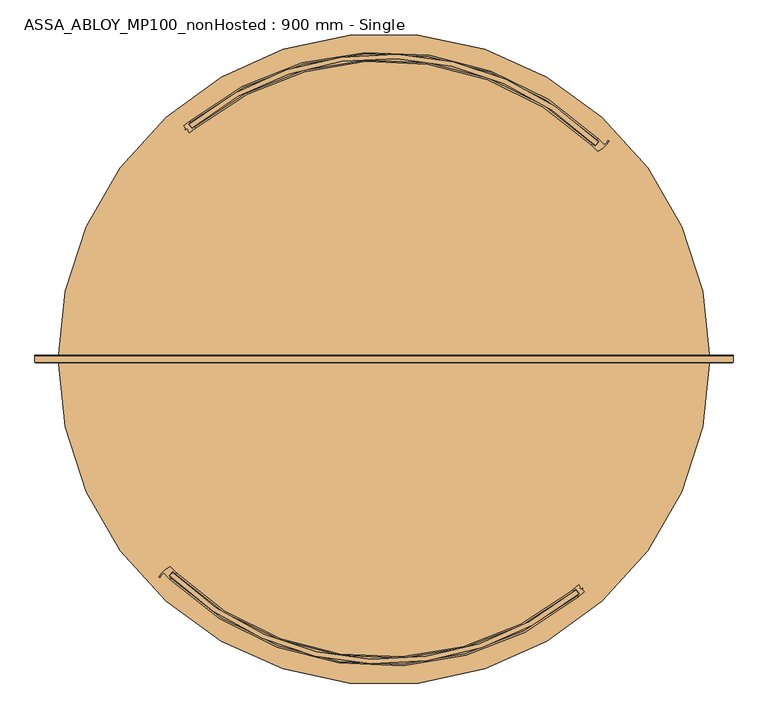
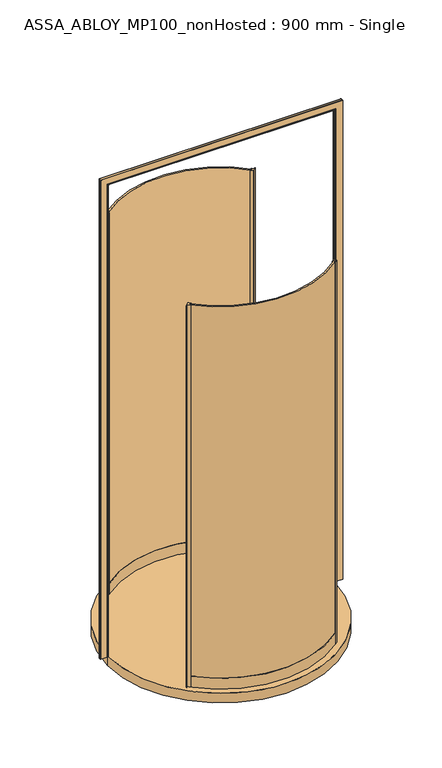
"""IFC4 building model written with IfcOpenShell, lengths in millimetres: door geometry, ASSA_ABLOY_MP100_nonHosted : 900 mm - Single."""

from ifc_helpers import new_model, si_unit, point, frame, origin, origin_with_axes, origin_2d, place, context, project, spatial, polyline, circle_curve, ellipse_curve, trimmed, segment, composite_curve, outline, extrude, source, transform, mapped, element, save
from ifc_brep_helpers import plane_surface, cylinder_surface, revolved_surface, advanced_brep


def assa_abloy_mp100_nonhosted_900_mm_single_23563f2a(model_context):
    return source(origin(), model_context, "Body", "SolidModel", [
        extrude(outline(composite_curve([segment(trimmed(circle_curve(origin_2d(), 671.0), [point((-471.5418534, -477.3775031))], [point((428.3686486, -516.4700387))], True, "CARTESIAN"), True, "CONTINUOUS"), segment(polyline([(428.3686486, -516.4700387), (434.6971588, -524.2131056)]), True, "CONTINUOUS"), segment(trimmed(circle_curve(origin_2d(), 681.0), [point((434.6971588, -524.2131056))], [point((-478.5162849, -484.544286))], False, "CARTESIAN"), True, "CONTINUOUS"), segment(polyline([(-478.5162849, -484.544286), (-471.5418534, -477.3775031)]), True, "CONTINUOUS")], self_intersect=False)), origin_with_axes(), (0.0, 0.0, 1.0), 2600.0),
        extrude(outline(composite_curve([segment(polyline([(434.4935229, -504.7488272), (438.8082177, -510.0279483), (436.8725006, -511.6100353), (439.0874224, -514.3200393), (443.5990465, -512.2867933), (444.3004039, -513.1449189), (442.9171599, -515.0553265), (447.1542237, -520.2394643)]), True, "CONTINUOUS"), segment(trimmed(circle_curve(origin_2d(), 686.0), [point((447.1542237, -520.2394643))], [point((434.124669, -531.1607777))], False, "CARTESIAN"), True, "CONTINUOUS"), segment(polyline([(434.124669, -531.1607777), (432.2261646, -528.8379172)]), True, "CONTINUOUS"), segment(trimmed(circle_curve(origin_2d(), 683.0), [point((432.2261646, -528.8379172))], [point((437.6234714, -524.3802983))], True, "CARTESIAN"), True, "CONTINUOUS"), segment(polyline([(437.6234714, -524.3802983), (428.7633092, -513.5397012)]), True, "CONTINUOUS"), segment(trimmed(circle_curve(origin_2d(), 669.0), [point((428.7633092, -513.5397012))], [point((423.2578051, -518.0867016))], False, "CARTESIAN"), True, "CONTINUOUS"), segment(polyline([(423.2578051, -518.0867016), (421.4679731, -515.6750408)]), True, "CONTINUOUS"), segment(trimmed(circle_curve(origin_2d(), 666.0), [point((421.4679731, -515.6750408))], [point((434.4935229, -504.7488272))], True, "CARTESIAN"), True, "CONTINUOUS")], self_intersect=False)), origin_with_axes(), (0.0, 0.0, 1.0), 2600.0),
        advanced_brep(
        [(-471.5530855, -474.5488522, 0.0), (-481.2544185, -484.6448252, 0.0), (-476.2430103, -489.5324103, 0.0), (-478.3216313, -491.6955874, 0.0), (-492.1678743, -477.8294246, 0.0), (-499.3328125, -486.5213725, 0.0), (-501.9043625, -485.2054148, 0.0), (-480.0372297, -464.9193186, 0.0), (-476.3552254, -465.4179454, 0.0), (-464.4641583, -477.274407, 0.0), (-466.5427792, -479.4375841, 0.0), (-471.5530855, -474.5488522, 2600.0), (-466.5427792, -479.4375841, 2600.0), (-464.4641583, -477.274407, 2600.0), (-476.3552254, -465.4179454, 2600.0), (-480.0372297, -464.9193186, 2600.0), (-501.9043625, -485.2054148, 2600.0), (-499.3466185, -486.5141589, 2600.0), (-492.1678743, -477.8294246, 2600.0), (-478.3216313, -491.6955874, 2600.0), (-476.2430103, -489.5324103, 2600.0), (-481.2544185, -484.6448252, 2600.0)],
        [
            (0, 1),
            (1, 2, circle_curve(frame((-149.5530842, -149.5530842, 0.0), z_axis=(0.0, 0.0, 1.0), x_axis=(-0.707106781186553, 0.7071067811865419, 0.0)), 471.5)),
            (2, 3),
            (3, 4, circle_curve(frame((-149.5530842, -149.5530842, 0.0), z_axis=(0.0, 0.0, -1.0), x_axis=(-0.707106781186553, 0.7071067811865419, 0.0)), 474.5)),
            (4, 5, circle_curve(frame((-475.1496567, -499.1569371, 0.0), z_axis=(0.0, 0.0, 1.0), x_axis=(-0.707106781186553, 0.7071067811865419, 0.0)), 27.285207)),
            (5, 6, circle_curve(frame((-500.6199062, -485.8488732, 0.0), z_axis=(0.0, 0.0, -1.0), x_axis=(-0.707106781186553, 0.7071067811865419, 0.0)), 1.4366164)),
            (6, 7, circle_curve(frame((-444.4563576, -525.2019988, 0.0), z_axis=(0.0, 0.0, -1.0), x_axis=(-0.707106781186553, 0.7071067811865419, 0.0)), 70.0)),
            (7, 8, circle_curve(frame((-478.5123352, -467.502862, 0.0), z_axis=(0.0, 0.0, -1.0), x_axis=(-0.707106781186553, 0.7071067811865419, 0.0)), 3.0)),
            (8, 9, circle_curve(frame((-149.5530842, -149.5530842, 0.0), z_axis=(0.0, 0.0, 1.0), x_axis=(-0.707106781186553, 0.7071067811865419, 0.0)), 454.5)),
            (9, 10),
            (10, 0, circle_curve(frame((-149.5530842, -149.5530842, 0.0), z_axis=(0.0, 0.0, -1.0), x_axis=(-0.707106781186553, 0.7071067811865419, 0.0)), 457.5)),
            (11, 12, circle_curve(frame((-149.5530842, -149.5530842, 2600.0), z_axis=(0.0, 0.0, 1.0), x_axis=(-0.707106781186553, 0.7071067811865419, 0.0)), 457.5)),
            (12, 13),
            (13, 14, circle_curve(frame((-149.5530842, -149.5530842, 2600.0), z_axis=(0.0, 0.0, -1.0), x_axis=(-0.707106781186553, 0.7071067811865419, 0.0)), 454.5)),
            (14, 15, circle_curve(frame((-478.5123352, -467.502862, 2600.0), z_axis=(0.0, 0.0, 1.0), x_axis=(-0.707106781186553, 0.7071067811865419, 0.0)), 3.0)),
            (15, 16, circle_curve(frame((-444.4563576, -525.2019988, 2600.0), z_axis=(0.0, 0.0, 1.0), x_axis=(-0.707106781186553, 0.7071067811865419, 0.0)), 70.0)),
            (16, 17, circle_curve(frame((-500.6199062, -485.8488732, 2600.0), z_axis=(0.0, 0.0, 1.0), x_axis=(-0.707106781186553, 0.7071067811865419, 0.0)), 1.4366164)),
            (17, 18, circle_curve(frame((-475.1496567, -499.1569371, 2600.0), z_axis=(0.0, 0.0, -1.0), x_axis=(-0.707106781186553, 0.7071067811865419, 0.0)), 27.285207)),
            (18, 19, circle_curve(frame((-149.5530842, -149.5530842, 2600.0), z_axis=(0.0, 0.0, 1.0), x_axis=(-0.707106781186553, 0.7071067811865419, 0.0)), 474.5)),
            (19, 20),
            (20, 21, circle_curve(frame((-149.5530842, -149.5530842, 2600.0), z_axis=(0.0, 0.0, -1.0), x_axis=(-0.707106781186553, 0.7071067811865419, 0.0)), 471.5)),
            (21, 11),
            (0, 11),
            (21, 1),
            (20, 2),
            (19, 3),
            (18, 4),
            (8, 14),
            (13, 9),
            (12, 10),
            (17, 5),
            (16, 6),
            (15, 7),
        ],
        [
            plane_surface(frame((-470.9331163, -470.9331163, 0.0), z_axis=(0.0, 0.0, -1.0), x_axis=(-0.707106781186542, -0.7071067811865531, 0.0))),
            plane_surface(frame((-470.9331163, -470.9331163, 2600.0), z_axis=(0.0, 0.0, 1.0), x_axis=(-0.707106781186542, -0.7071067811865531, 0.0))),
            plane_surface(frame((-471.5530855, -474.5488522, 0.0), z_axis=(0.7210590160944298, -0.6928736503208451, 0.0), x_axis=(0.0, 0.0, 1.0))),
            revolved_surface(polyline([(-482.95393152945974, 183.8477631294545, 2600.0), (-482.95393152945974, 183.8477631294545, 0.0)]), (-149.5530842, -149.5530842, 0.0), (0.0, 0.0, 1.0)),
            plane_surface(frame((-476.2430103, -489.5324103, 0.0), z_axis=(0.7210590160945622, -0.6928736503207074, 0.0), x_axis=(0.0, 0.0, 1.0))),
            cylinder_surface(frame((-149.5530842, -149.5530842, 0.0), z_axis=(0.0, 0.0, -1.0), x_axis=(-0.707106781186553, 0.7071067811865419, 0.0)), 474.5),
            revolved_surface(polyline([(-470.93311624928833, 171.82694784928327, 2600.0), (-470.93311624928833, 171.82694784928327, 0.0)]), (-149.5530842, -149.5530842, 0.0), (0.0, 0.0, 1.0)),
            plane_surface(frame((-464.4641583, -477.274407, 0.0), z_axis=(0.721059016094641, -0.6928736503206255, 0.0), x_axis=(0.0, 0.0, 1.0))),
            cylinder_surface(frame((-149.5530842, -149.5530842, 0.0), z_axis=(0.0, 0.0, -1.0), x_axis=(-0.707106781186553, 0.7071067811865419, 0.0)), 457.5),
            revolved_surface(polyline([(-494.4432115957788, -479.86338220422147, 2600.0), (-494.4432115957788, -479.86338220422147, 0.0)]), (-475.1496567, -499.1569371, 0.0), (0.0, 0.0, 1.0)),
            cylinder_surface(frame((-500.6199062, -485.8488732, 0.0), z_axis=(0.0, 0.0, -1.0), x_axis=(-0.707106781186553, 0.7071067811865419, 0.0)), 1.4366164),
            cylinder_surface(frame((-444.4563576, -525.2019988, 0.0), z_axis=(0.0, 0.0, -1.0), x_axis=(-0.707106781186553, 0.7071067811865419, 0.0)), 70.0),
            cylinder_surface(frame((-478.5123352, -467.502862, 0.0), z_axis=(0.0, 0.0, -1.0), x_axis=(-0.707106781186553, 0.7071067811865419, 0.0)), 3.0),
        ],
        [
            (0, [[1, 2, 3, 4, 5, 6, 7, 8, 9, 10, 11]]),
            (1, [[12, 13, 14, 15, 16, 17, 18, 19, 20, 21, 22]]),
            (2, [[-1, 23, -22, 24]]),
            (3, [[-2, -24, -21, 25]]),
            (4, [[-3, -25, -20, 26]]),
            (5, [[-4, -26, -19, 27]]),
            (6, [[-9, 28, -14, 29]]),
            (7, [[-10, -29, -13, 30]]),
            (8, [[-11, -30, -12, -23]]),
            (9, [[-5, -27, -18, 31]]),
            (10, [[-6, -31, -17, 32]]),
            (11, [[-7, -32, -16, 33]]),
            (12, [[-8, -33, -15, -28]]),
        ],
    ),
        advanced_brep(
        [(-464.4844321, -477.2946808, 73.0), (-464.4844321, -477.2946808, 0.0), (-466.5767043, -479.4446569, 0.0), (-466.5767043, -479.4446569, 24.0), (-476.3406413, -489.4778784, 24.0), (-476.3406413, -489.4778784, 0.0), (-478.4329135, -491.6278544, 0.0), (-478.4329135, -491.6278544, 73.0), (-476.3406413, -489.4778784, 73.0), (-476.3406413, -489.4778784, 39.0), (-466.5767043, -479.4446569, 39.0), (-466.5767043, -479.4446569, 73.0), (421.4679731, -515.6750408, 73.0), (423.3664774, -517.9979013, 73.0), (423.3664774, -517.9979013, 39.0), (432.2261646, -528.8379172, 39.0), (432.2261646, -528.8379172, 73.0), (434.124669, -531.1607777, 73.0), (434.124669, -531.1607777, 0.0), (432.2261646, -528.8379172, 0.0), (432.2261646, -528.8379172, 24.0), (423.3664774, -517.9979013, 24.0), (423.3664774, -517.9979013, 0.0), (421.4679731, -515.6750408, 0.0)],
        [
            (0, 1),
            (1, 2),
            (2, 3),
            (3, 4),
            (4, 5),
            (5, 6),
            (6, 7),
            (7, 8),
            (8, 9),
            (9, 10),
            (10, 11),
            (11, 0),
            (12, 13),
            (13, 14),
            (14, 15),
            (15, 16),
            (16, 17),
            (17, 18),
            (18, 19),
            (19, 20),
            (20, 21),
            (21, 22),
            (22, 23),
            (23, 12),
            (23, 1, circle_curve(frame((0.0, 0.0, 0.0), z_axis=(0.0, 0.0, -1.0), x_axis=(-0.6974240722019794, -0.7166586799259522, 0.0)), 666.0)),
            (0, 12, circle_curve(frame((0.0, 0.0, 73.0), z_axis=(0.0, 0.0, 1.0), x_axis=(-0.6974240722019794, -0.7166586799259522, 0.0)), 666.0)),
            (22, 2, circle_curve(frame((0.0, 0.0, 0.0), z_axis=(0.0, 0.0, -1.0), x_axis=(-0.6974240722019794, -0.7166586799259522, 0.0)), 669.0)),
            (21, 3, circle_curve(frame((0.0, 0.0, 24.0), z_axis=(0.0, 0.0, -1.0), x_axis=(-0.6974240722019794, -0.7166586799259522, 0.0)), 669.0)),
            (20, 4, circle_curve(frame((0.0, 0.0, 24.0), z_axis=(0.0, 0.0, -1.0), x_axis=(-0.6974240722019794, -0.7166586799259522, 0.0)), 683.0)),
            (19, 5, circle_curve(frame((0.0, 0.0, 0.0), z_axis=(0.0, 0.0, -1.0), x_axis=(-0.6974240722019794, -0.7166586799259522, 0.0)), 683.0)),
            (18, 6, circle_curve(frame((0.0, 0.0, 0.0), z_axis=(0.0, 0.0, -1.0), x_axis=(-0.6974240722019794, -0.7166586799259522, 0.0)), 686.0)),
            (17, 7, circle_curve(frame((0.0, 0.0, 73.0), z_axis=(0.0, 0.0, -1.0), x_axis=(-0.6974240722019794, -0.7166586799259522, 0.0)), 686.0)),
            (16, 8, circle_curve(frame((0.0, 0.0, 73.0), z_axis=(0.0, 0.0, -1.0), x_axis=(-0.6974240722019794, -0.7166586799259522, 0.0)), 683.0)),
            (15, 9, circle_curve(frame((0.0, 0.0, 39.0), z_axis=(0.0, 0.0, -1.0), x_axis=(-0.6974240722019794, -0.7166586799259522, 0.0)), 683.0)),
            (14, 10, circle_curve(frame((0.0, 0.0, 39.0), z_axis=(0.0, 0.0, -1.0), x_axis=(-0.6974240722019794, -0.7166586799259522, 0.0)), 669.0)),
            (13, 11, circle_curve(frame((0.0, 0.0, 73.0), z_axis=(0.0, 0.0, -1.0), x_axis=(-0.6974240722019794, -0.7166586799259522, 0.0)), 669.0)),
        ],
        [
            plane_surface(frame((-464.4844321, -477.2946808, 0.0), z_axis=(-0.7166586799259521, 0.6974240722019794, 0.0), x_axis=(0.0, 0.0, 1.0))),
            plane_surface(frame((421.4679731, -515.6750408, 0.0), z_axis=(0.7742868480153811, 0.6328347943898205, 0.0), x_axis=(0.0, 0.0, 1.0))),
            revolved_surface(polyline([(-464.4844320865183, -477.2946808306842, 73.00000000000003), (-464.4844320865183, -477.2946808306842, 0.0)]), (0.0, 0.0, 0.0), (0.0, 0.0, 1.0000000000000002)),
            plane_surface(frame((0.0, 0.0, 0.0), z_axis=(0.0, 0.0, -1.0000000000000002), x_axis=(-0.6974240722019794, -0.7166586799259522, 0.0))),
            cylinder_surface(frame((0.0, 0.0, 0.0), z_axis=(0.0, 0.0, 1.0000000000000002), x_axis=(-0.6974240722019794, -0.7166586799259522, 0.0)), 669.0),
            plane_surface(frame((0.0, 0.0, 24.0), z_axis=(0.0, 0.0, -1.0000000000000002), x_axis=(-0.6974240722019794, -0.7166586799259522, 0.0))),
            revolved_surface(polyline([(-476.34064131395195, -489.47787838942537, 24.000000000000014), (-476.34064131395195, -489.47787838942537, 0.0)]), (0.0, 0.0, 0.0), (0.0, 0.0, 1.0000000000000002)),
            cylinder_surface(frame((0.0, 0.0, 0.0), z_axis=(0.0, 0.0, 1.0000000000000002), x_axis=(-0.6974240722019794, -0.7166586799259522, 0.0)), 686.0),
            plane_surface(frame((0.0, 0.0, 73.0), z_axis=(0.0, 0.0, 1.0000000000000002), x_axis=(-0.6974240722019794, -0.7166586799259522, 0.0))),
            revolved_surface(polyline([(-476.34064131395195, -489.47787838942537, 73.00000000000003), (-476.34064131395195, -489.47787838942537, 39.000000000000014)]), (0.0, 0.0, 0.0), (0.0, 0.0, 1.0000000000000002)),
            plane_surface(frame((0.0, 0.0, 39.0), z_axis=(0.0, 0.0, 1.0000000000000002), x_axis=(-0.6974240722019794, -0.7166586799259522, 0.0))),
        ],
        [
            (0, [[1, 2, 3, 4, 5, 6, 7, 8, 9, 10, 11, 12]]),
            (1, [[13, 14, 15, 16, 17, 18, 19, 20, 21, 22, 23, 24]]),
            (2, [[25, -1, 26, -24]]),
            (3, [[27, -2, -25, -23]]),
            (4, [[28, -3, -27, -22]]),
            (5, [[29, -4, -28, -21]]),
            (6, [[30, -5, -29, -20]]),
            (3, [[31, -6, -30, -19]]),
            (7, [[32, -7, -31, -18]]),
            (8, [[33, -8, -32, -17]]),
            (9, [[34, -9, -33, -16]]),
            (10, [[35, -10, -34, -15]]),
            (4, [[36, -11, -35, -14]]),
            (8, [[-26, -12, -36, -13]]),
        ],
    ),
        extrude(outline(composite_curve([segment(trimmed(circle_curve(origin_2d(), 671.0), [point((471.5418534, 477.3775031))], [point((-428.3686486, 516.4700387))], True, "CARTESIAN"), True, "CONTINUOUS"), segment(polyline([(-428.3686486, 516.4700387), (-434.6971588, 524.2131056)]), True, "CONTINUOUS"), segment(trimmed(circle_curve(origin_2d(), 681.0), [point((-434.6971588, 524.2131056))], [point((478.5162849, 484.544286))], False, "CARTESIAN"), True, "CONTINUOUS"), segment(polyline([(478.5162849, 484.544286), (471.5418534, 477.3775031)]), True, "CONTINUOUS")], self_intersect=False)), origin_with_axes(), (0.0, 0.0, 1.0), 2600.0),
        extrude(outline(composite_curve([segment(polyline([(-434.4935229, 504.7488272), (-438.8082177, 510.0279483), (-436.8725006, 511.6100353), (-439.0874224, 514.3200393), (-443.5990465, 512.2867933), (-444.3004039, 513.1449189), (-442.9171599, 515.0553265), (-447.1542237, 520.2394643)]), True, "CONTINUOUS"), segment(trimmed(circle_curve(origin_2d(), 686.0), [point((-447.1542237, 520.2394643))], [point((-434.124669, 531.1607777))], False, "CARTESIAN"), True, "CONTINUOUS"), segment(polyline([(-434.124669, 531.1607777), (-432.2261646, 528.8379172)]), True, "CONTINUOUS"), segment(trimmed(circle_curve(origin_2d(), 683.0), [point((-432.2261646, 528.8379172))], [point((-437.6234714, 524.3802983))], True, "CARTESIAN"), True, "CONTINUOUS"), segment(polyline([(-437.6234714, 524.3802983), (-428.7633092, 513.5397012)]), True, "CONTINUOUS"), segment(trimmed(circle_curve(origin_2d(), 669.0), [point((-428.7633092, 513.5397012))], [point((-423.2578051, 518.0867016))], False, "CARTESIAN"), True, "CONTINUOUS"), segment(polyline([(-423.2578051, 518.0867016), (-421.4679731, 515.6750408)]), True, "CONTINUOUS"), segment(trimmed(circle_curve(origin_2d(), 666.0), [point((-421.4679731, 515.6750408))], [point((-434.4935229, 504.7488272))], True, "CARTESIAN"), True, "CONTINUOUS")], self_intersect=False)), origin_with_axes(), (0.0, 0.0, 1.0), 2600.0),
        advanced_brep(
        [(471.5530855, 474.5488522, 0.0), (481.2544185, 484.6448252, 0.0), (476.2430103, 489.5324103, 0.0), (478.3216313, 491.6955874, 0.0), (492.1678743, 477.8294246, 0.0), (499.3328125, 486.5213725, 0.0), (501.9043625, 485.2054148, 0.0), (480.0372297, 464.9193186, 0.0), (476.3552254, 465.4179454, 0.0), (464.4641583, 477.274407, 0.0), (466.5427792, 479.4375841, 0.0), (471.5530855, 474.5488522, 2600.0), (466.5427792, 479.4375841, 2600.0), (464.4641583, 477.274407, 2600.0), (476.3552254, 465.4179454, 2600.0), (480.0372297, 464.9193186, 2600.0), (501.9043625, 485.2054148, 2600.0), (499.3466185, 486.5141589, 2600.0), (492.1678743, 477.8294246, 2600.0), (478.3216313, 491.6955874, 2600.0), (476.2430103, 489.5324103, 2600.0), (481.2544185, 484.6448252, 2600.0)],
        [
            (0, 1),
            (1, 2, circle_curve(frame((149.5530842, 149.5530842, 0.0), z_axis=(0.0, 0.0, 1.0), x_axis=(0.7071067811865529, -0.7071067811865411, 0.0)), 471.5)),
            (2, 3),
            (3, 4, circle_curve(frame((149.5530842, 149.5530842, 0.0), z_axis=(0.0, 0.0, -1.0), x_axis=(0.7071067811865529, -0.7071067811865411, 0.0)), 474.5)),
            (4, 5, circle_curve(frame((475.1496567, 499.1569371, 0.0), z_axis=(0.0, 0.0, 1.0), x_axis=(0.7071067811865529, -0.7071067811865411, 0.0)), 27.285207)),
            (5, 6, circle_curve(frame((500.6199062, 485.8488732, 0.0), z_axis=(0.0, 0.0, -1.0), x_axis=(0.7071067811865529, -0.7071067811865411, 0.0)), 1.4366164)),
            (6, 7, circle_curve(frame((444.4563576, 525.2019988, 0.0), z_axis=(0.0, 0.0, -1.0), x_axis=(0.7071067811865529, -0.7071067811865411, 0.0)), 70.0)),
            (7, 8, circle_curve(frame((478.5123352, 467.502862, 0.0), z_axis=(0.0, 0.0, -1.0), x_axis=(0.7071067811865529, -0.7071067811865411, 0.0)), 3.0)),
            (8, 9, circle_curve(frame((149.5530842, 149.5530842, 0.0), z_axis=(0.0, 0.0, 1.0), x_axis=(0.7071067811865529, -0.7071067811865411, 0.0)), 454.5)),
            (9, 10),
            (10, 0, circle_curve(frame((149.5530842, 149.5530842, 0.0), z_axis=(0.0, 0.0, -1.0), x_axis=(0.7071067811865529, -0.7071067811865411, 0.0)), 457.5)),
            (11, 12, circle_curve(frame((149.5530842, 149.5530842, 2600.0), z_axis=(0.0, 0.0, 1.0), x_axis=(0.7071067811865529, -0.7071067811865411, 0.0)), 457.5)),
            (12, 13),
            (13, 14, circle_curve(frame((149.5530842, 149.5530842, 2600.0), z_axis=(0.0, 0.0, -1.0), x_axis=(0.7071067811865529, -0.7071067811865411, 0.0)), 454.5)),
            (14, 15, circle_curve(frame((478.5123352, 467.502862, 2600.0), z_axis=(0.0, 0.0, 1.0), x_axis=(0.7071067811865529, -0.7071067811865411, 0.0)), 3.0)),
            (15, 16, circle_curve(frame((444.4563576, 525.2019988, 2600.0), z_axis=(0.0, 0.0, 1.0), x_axis=(0.7071067811865529, -0.7071067811865411, 0.0)), 70.0)),
            (16, 17, circle_curve(frame((500.6199062, 485.8488732, 2600.0), z_axis=(0.0, 0.0, 1.0), x_axis=(0.7071067811865529, -0.7071067811865411, 0.0)), 1.4366164)),
            (17, 18, circle_curve(frame((475.1496567, 499.1569371, 2600.0), z_axis=(0.0, 0.0, -1.0), x_axis=(0.7071067811865529, -0.7071067811865411, 0.0)), 27.285207)),
            (18, 19, circle_curve(frame((149.5530842, 149.5530842, 2600.0), z_axis=(0.0, 0.0, 1.0), x_axis=(0.7071067811865529, -0.7071067811865411, 0.0)), 474.5)),
            (19, 20),
            (20, 21, circle_curve(frame((149.5530842, 149.5530842, 2600.0), z_axis=(0.0, 0.0, -1.0), x_axis=(0.7071067811865529, -0.7071067811865411, 0.0)), 471.5)),
            (21, 11),
            (0, 11),
            (21, 1),
            (20, 2),
            (19, 3),
            (18, 4),
            (8, 14),
            (13, 9),
            (12, 10),
            (17, 5),
            (16, 6),
            (15, 7),
        ],
        [
            plane_surface(frame((470.9331163, 470.9331163, 0.0), z_axis=(0.0, 0.0, -1.0000000000000002), x_axis=(0.7071067811865417, 0.7071067811865535, 0.0))),
            plane_surface(frame((470.9331163, 470.9331163, 2600.0), z_axis=(0.0, 0.0, 1.0000000000000002), x_axis=(0.7071067811865417, 0.7071067811865535, 0.0))),
            plane_surface(frame((471.5530855, 474.5488522, 0.0), z_axis=(-0.7210590160944301, 0.6928736503208448, 0.0), x_axis=(0.0, 0.0, 1.0))),
            revolved_surface(polyline([(482.9539315294597, -183.84776312945417, 2600.0), (482.9539315294597, -183.84776312945417, 0.0)]), (149.5530842, 149.5530842, 0.0), (0.0, 0.0, 1.0)),
            plane_surface(frame((476.2430103, 489.5324103, 0.0), z_axis=(-0.7210590160945626, 0.692873650320707, 0.0), x_axis=(0.0, 0.0, 1.0))),
            cylinder_surface(frame((149.5530842, 149.5530842, 0.0), z_axis=(0.0, 0.0, -1.0), x_axis=(0.7071067811865529, -0.7071067811865411, 0.0)), 474.5),
            revolved_surface(polyline([(470.9331162492883, -171.82694784928293, 2600.0), (470.9331162492883, -171.82694784928293, 0.0)]), (149.5530842, 149.5530842, 0.0), (0.0, 0.0, 1.0)),
            plane_surface(frame((464.4641583, 477.274407, 0.0), z_axis=(-0.7210590160946412, 0.6928736503206251, 0.0), x_axis=(0.0, 0.0, 1.0))),
            cylinder_surface(frame((149.5530842, 149.5530842, 0.0), z_axis=(0.0, 0.0, -1.0), x_axis=(0.7071067811865529, -0.7071067811865411, 0.0)), 457.5),
            revolved_surface(polyline([(494.4432115957788, 479.8633822042215, 2600.0), (494.4432115957788, 479.8633822042215, 0.0)]), (475.1496567, 499.1569371, 0.0), (0.0, 0.0, 1.0)),
            cylinder_surface(frame((500.6199062, 485.8488732, 0.0), z_axis=(0.0, 0.0, -1.0), x_axis=(0.7071067811865529, -0.7071067811865411, 0.0)), 1.4366164),
            cylinder_surface(frame((444.4563576, 525.2019988, 0.0), z_axis=(0.0, 0.0, -1.0), x_axis=(0.7071067811865529, -0.7071067811865411, 0.0)), 70.0),
            cylinder_surface(frame((478.5123352, 467.502862, 0.0), z_axis=(0.0, 0.0, -1.0), x_axis=(0.7071067811865529, -0.7071067811865411, 0.0)), 3.0),
        ],
        [
            (0, [[1, 2, 3, 4, 5, 6, 7, 8, 9, 10, 11]]),
            (1, [[12, 13, 14, 15, 16, 17, 18, 19, 20, 21, 22]]),
            (2, [[-1, 23, -22, 24]]),
            (3, [[-2, -24, -21, 25]]),
            (4, [[-3, -25, -20, 26]]),
            (5, [[-4, -26, -19, 27]]),
            (6, [[-9, 28, -14, 29]]),
            (7, [[-10, -29, -13, 30]]),
            (8, [[-11, -30, -12, -23]]),
            (9, [[-5, -27, -18, 31]]),
            (10, [[-6, -31, -17, 32]]),
            (11, [[-7, -32, -16, 33]]),
            (12, [[-8, -33, -15, -28]]),
        ],
    ),
        advanced_brep(
        [(464.4844321, 477.2946808, 73.0), (464.4844321, 477.2946808, 0.0), (466.5767043, 479.4446569, 0.0), (466.5767043, 479.4446569, 24.0), (476.3406413, 489.4778784, 24.0), (476.3406413, 489.4778784, 0.0), (478.4329135, 491.6278544, 0.0), (478.4329135, 491.6278544, 73.0), (476.3406413, 489.4778784, 73.0), (476.3406413, 489.4778784, 39.0), (466.5767043, 479.4446569, 39.0), (466.5767043, 479.4446569, 73.0), (-421.4679731, 515.6750408, 73.0), (-423.3664774, 517.9979013, 73.0), (-423.3664774, 517.9979013, 39.0), (-432.2261646, 528.8379172, 39.0), (-432.2261646, 528.8379172, 73.0), (-434.124669, 531.1607777, 73.0), (-434.124669, 531.1607777, 0.0), (-432.2261646, 528.8379172, 0.0), (-432.2261646, 528.8379172, 24.0), (-423.3664774, 517.9979013, 24.0), (-423.3664774, 517.9979013, 0.0), (-421.4679731, 515.6750408, 0.0)],
        [
            (0, 1),
            (1, 2),
            (2, 3),
            (3, 4),
            (4, 5),
            (5, 6),
            (6, 7),
            (7, 8),
            (8, 9),
            (9, 10),
            (10, 11),
            (11, 0),
            (12, 13),
            (13, 14),
            (14, 15),
            (15, 16),
            (16, 17),
            (17, 18),
            (18, 19),
            (19, 20),
            (20, 21),
            (21, 22),
            (22, 23),
            (23, 12),
            (23, 1, circle_curve(frame((0.0, 0.0, 0.0), z_axis=(0.0, 0.0, -1.0), x_axis=(0.6974240722019787, 0.716658679925952, 0.0)), 666.0)),
            (0, 12, circle_curve(frame((0.0, 0.0, 73.0), z_axis=(0.0, 0.0, 1.0), x_axis=(0.6974240722019787, 0.716658679925952, 0.0)), 666.0)),
            (22, 2, circle_curve(frame((0.0, 0.0, 0.0), z_axis=(0.0, 0.0, -1.0), x_axis=(0.6974240722019787, 0.716658679925952, 0.0)), 669.0)),
            (21, 3, circle_curve(frame((0.0, 0.0, 24.0), z_axis=(0.0, 0.0, -1.0), x_axis=(0.6974240722019787, 0.716658679925952, 0.0)), 669.0)),
            (20, 4, circle_curve(frame((0.0, 0.0, 24.0), z_axis=(0.0, 0.0, -1.0), x_axis=(0.6974240722019787, 0.716658679925952, 0.0)), 683.0)),
            (19, 5, circle_curve(frame((0.0, 0.0, 0.0), z_axis=(0.0, 0.0, -1.0), x_axis=(0.6974240722019787, 0.716658679925952, 0.0)), 683.0)),
            (18, 6, circle_curve(frame((0.0, 0.0, 0.0), z_axis=(0.0, 0.0, -1.0), x_axis=(0.6974240722019787, 0.716658679925952, 0.0)), 686.0)),
            (17, 7, circle_curve(frame((0.0, 0.0, 73.0), z_axis=(0.0, 0.0, -1.0), x_axis=(0.6974240722019787, 0.716658679925952, 0.0)), 686.0)),
            (16, 8, circle_curve(frame((0.0, 0.0, 73.0), z_axis=(0.0, 0.0, -1.0), x_axis=(0.6974240722019787, 0.716658679925952, 0.0)), 683.0)),
            (15, 9, circle_curve(frame((0.0, 0.0, 39.0), z_axis=(0.0, 0.0, -1.0), x_axis=(0.6974240722019787, 0.716658679925952, 0.0)), 683.0)),
            (14, 10, circle_curve(frame((0.0, 0.0, 39.0), z_axis=(0.0, 0.0, -1.0), x_axis=(0.6974240722019787, 0.716658679925952, 0.0)), 669.0)),
            (13, 11, circle_curve(frame((0.0, 0.0, 73.0), z_axis=(0.0, 0.0, -1.0), x_axis=(0.6974240722019787, 0.716658679925952, 0.0)), 669.0)),
        ],
        [
            plane_surface(frame((464.4844321, 477.2946808, 0.0), z_axis=(0.7166586799259524, -0.697424072201979, 0.0), x_axis=(0.0, 0.0, 1.0))),
            plane_surface(frame((-421.4679731, 515.6750408, 0.0), z_axis=(-0.7742868480153807, -0.6328347943898208, 0.0), x_axis=(0.0, 0.0, 1.0))),
            revolved_surface(polyline([(464.4844320865178, 477.29468083068406, 73.00000000000003), (464.4844320865178, 477.29468083068406, 0.0)]), (0.0, 0.0, 0.0), (0.0, 0.0, 1.0000000000000002)),
            plane_surface(frame((0.0, 0.0, 0.0), z_axis=(0.0, 0.0, -1.0), x_axis=(0.697424072201979, 0.7166586799259524, 0.0))),
            cylinder_surface(frame((0.0, 0.0, 0.0), z_axis=(0.0, 0.0, 1.0000000000000002), x_axis=(0.6974240722019787, 0.716658679925952, 0.0)), 669.0),
            plane_surface(frame((0.0, 0.0, 24.0), z_axis=(0.0, 0.0, -1.0), x_axis=(0.697424072201979, 0.7166586799259524, 0.0))),
            revolved_surface(polyline([(476.34064131395144, 489.4778783894252, 24.000000000000014), (476.34064131395144, 489.4778783894252, 0.0)]), (0.0, 0.0, 0.0), (0.0, 0.0, 1.0000000000000002)),
            cylinder_surface(frame((0.0, 0.0, 0.0), z_axis=(0.0, 0.0, 1.0000000000000002), x_axis=(0.6974240722019787, 0.716658679925952, 0.0)), 686.0),
            plane_surface(frame((0.0, 0.0, 73.0), z_axis=(0.0, 0.0, 1.0), x_axis=(0.697424072201979, 0.7166586799259524, 0.0))),
            revolved_surface(polyline([(476.34064131395144, 489.4778783894252, 73.00000000000003), (476.34064131395144, 489.4778783894252, 39.000000000000014)]), (0.0, 0.0, 0.0), (0.0, 0.0, 1.0000000000000002)),
            plane_surface(frame((0.0, 0.0, 39.0), z_axis=(0.0, 0.0, 1.0), x_axis=(0.697424072201979, 0.7166586799259524, 0.0))),
        ],
        [
            (0, [[1, 2, 3, 4, 5, 6, 7, 8, 9, 10, 11, 12]]),
            (1, [[13, 14, 15, 16, 17, 18, 19, 20, 21, 22, 23, 24]]),
            (2, [[25, -1, 26, -24]]),
            (3, [[27, -2, -25, -23]]),
            (4, [[28, -3, -27, -22]]),
            (5, [[29, -4, -28, -21]]),
            (6, [[30, -5, -29, -20]]),
            (3, [[31, -6, -30, -19]]),
            (7, [[32, -7, -31, -18]]),
            (8, [[33, -8, -32, -17]]),
            (9, [[34, -9, -33, -16]]),
            (10, [[35, -10, -34, -15]]),
            (4, [[36, -11, -35, -14]]),
            (8, [[-26, -12, -36, -13]]),
        ],
    ),
        extrude(outline(composite_curve([segment(trimmed(circle_curve(origin_2d(), 727.5), [point((-727.5, 0.0))], [point((727.5, 0.0))], False, "CARTESIAN"), True, "CONTINUOUS"), segment(trimmed(circle_curve(origin_2d(), 727.5), [point((727.5, 0.0))], [point((-727.5, 0.0))], False, "CARTESIAN"), True, "CONTINUOUS")], self_intersect=False)), frame((0.0, 0.0, -65.0), z_axis=(0.0, 0.0, 1.0), x_axis=(1.0, 0.0, 0.0)), (0.0, 0.0, 1.0), 65.0),
        advanced_brep(
        [(728.4, 6.0, 0.0), (730.6980762, 6.0, 0.0), (731.5980762, 5.1, 0.0), (731.5980762, -5.1, 0.0), (730.6980762, -6.0, 0.0), (728.4, -6.0, 0.0), (727.5, -5.1, 0.0), (727.5, 5.1, 0.0), (-728.4, 6.0, 0.0), (-727.5, 5.1, 0.0), (-727.5, -5.1, 0.0), (-728.4, -6.0, 0.0), (-730.6980762, -6.0, 0.0), (-731.5980762, -5.1, 0.0), (-731.5980762, 5.1, 0.0), (-730.6980762, 6.0, 0.0), (728.4, 6.0, 3211.8), (-728.4, 6.0, 3211.8), (-730.6980762, 6.0, 3214.0980762), (730.6980762, 6.0, 3214.0980762), (731.5980762, 5.1, 3214.9980762), (731.5980762, -5.1, 3214.9980762), (730.6980762, -6.0, 3214.0980762), (-730.6980762, -6.0, 3214.0980762), (-728.4, -6.0, 3211.8), (728.4, -6.0, 3211.8), (727.5, -5.1, 3210.9), (727.5, 5.1, 3210.9), (-731.5980762, 5.1, 3214.9980762), (-731.5980762, -5.1, 3214.9980762), (-727.5, -5.1, 3210.9), (-727.5, 5.1, 3210.9)],
        [
            (0, 1),
            (1, 2, circle_curve(frame((730.6980762, 5.1, 0.0), z_axis=(0.0, 0.0, -1.0), x_axis=(-1.0, 0.0, 0.0)), 0.9)),
            (2, 3),
            (3, 4, circle_curve(frame((730.6980762, -5.1, 0.0), z_axis=(0.0, 0.0, -1.0), x_axis=(-1.0, 0.0, 0.0)), 0.9)),
            (4, 5),
            (5, 6, circle_curve(frame((728.4, -5.1, 0.0), z_axis=(0.0, 0.0, -1.0), x_axis=(-1.0, 0.0, 0.0)), 0.9)),
            (6, 7),
            (7, 0, circle_curve(frame((728.4, 5.1, 0.0), z_axis=(0.0, 0.0, -1.0), x_axis=(-1.0, 0.0, 0.0)), 0.9)),
            (8, 9, circle_curve(frame((-728.4, 5.1, 0.0), z_axis=(0.0, 0.0, -1.0), x_axis=(1.0, 0.0, 0.0)), 0.9)),
            (9, 10),
            (10, 11, circle_curve(frame((-728.4, -5.1, 0.0), z_axis=(0.0, 0.0, -1.0), x_axis=(1.0, 0.0, 0.0)), 0.9)),
            (11, 12),
            (12, 13, circle_curve(frame((-730.6980762, -5.1, 0.0), z_axis=(0.0, 0.0, -1.0), x_axis=(1.0, 0.0, 0.0)), 0.9)),
            (13, 14),
            (14, 15, circle_curve(frame((-730.6980762, 5.1, 0.0), z_axis=(0.0, 0.0, -1.0), x_axis=(1.0, 0.0, 0.0)), 0.9)),
            (15, 8),
            (0, 16),
            (16, 17),
            (17, 8),
            (15, 18),
            (18, 19),
            (19, 1),
            (19, 20, ellipse_curve(frame((730.6980762, 5.1, 3214.0980762), z_axis=(0.7071067811865475, 0.0, -0.7071067811865475), x_axis=(-0.7071067811865474, 0.0, -0.7071067811865476)), 1.2727922, 0.9)),
            (20, 2),
            (20, 21),
            (21, 3),
            (21, 22, ellipse_curve(frame((730.6980762, -5.1, 3214.0980762), z_axis=(0.7071067811865475, 0.0, -0.7071067811865475), x_axis=(-0.7071067811865474, 0.0, -0.7071067811865476)), 1.2727922, 0.9)),
            (22, 4),
            (22, 23),
            (23, 12),
            (11, 24),
            (24, 25),
            (25, 5),
            (25, 26, ellipse_curve(frame((728.4, -5.1, 3211.8), z_axis=(0.7071067811865475, 0.0, -0.7071067811865475), x_axis=(-0.7071067811865474, 0.0, -0.7071067811865476)), 1.2727922, 0.9)),
            (26, 6),
            (26, 27),
            (27, 7),
            (27, 16, ellipse_curve(frame((728.4, 5.1, 3211.8), z_axis=(0.7071067811865475, 0.0, -0.7071067811865475), x_axis=(-0.7071067811865474, 0.0, -0.7071067811865476)), 1.2727922, 0.9)),
            (18, 28, ellipse_curve(frame((-730.6980762, 5.1, 3214.0980762), z_axis=(0.7071067811865475, 0.0, 0.7071067811865475), x_axis=(0.7071067811865476, 0.0, -0.7071067811865474)), 1.2727922, 0.9)),
            (28, 20),
            (28, 29),
            (29, 21),
            (29, 23, ellipse_curve(frame((-730.6980762, -5.1, 3214.0980762), z_axis=(0.7071067811865475, 0.0, 0.7071067811865475), x_axis=(0.7071067811865476, 0.0, -0.7071067811865474)), 1.2727922, 0.9)),
            (24, 30, ellipse_curve(frame((-728.4, -5.1, 3211.8), z_axis=(0.7071067811865475, 0.0, 0.7071067811865475), x_axis=(0.7071067811865476, 0.0, -0.7071067811865474)), 1.2727922, 0.9)),
            (30, 26),
            (30, 31),
            (31, 27),
            (31, 17, ellipse_curve(frame((-728.4, 5.1, 3211.8), z_axis=(0.7071067811865475, 0.0, 0.7071067811865475), x_axis=(0.7071067811865476, 0.0, -0.7071067811865474)), 1.2727922, 0.9)),
            (14, 28),
            (13, 29),
            (10, 30),
            (9, 31),
        ],
        [
            plane_surface(frame((731.6, 0.0, 0.0), z_axis=(0.0, 0.0, -1.0), x_axis=(0.0, -1.0, 0.0))),
            plane_surface(frame((-731.6, 0.0, 0.0), z_axis=(0.0, 0.0, -1.0), x_axis=(0.0, -1.0, 0.0))),
            plane_surface(frame((728.4, 6.0, 0.0), z_axis=(0.0, 1.0, 0.0), x_axis=(0.0, 0.0, 1.0))),
            cylinder_surface(frame((730.6980762, 5.1, 0.0), z_axis=(0.0, 0.0, -1.0), x_axis=(-1.0, 0.0, 0.0)), 0.9),
            plane_surface(frame((731.5980762, 5.1, 0.0), z_axis=(1.0, 0.0, 0.0), x_axis=(0.0, 0.0, 1.0))),
            cylinder_surface(frame((730.6980762, -5.1, 0.0), z_axis=(0.0, 0.0, -1.0), x_axis=(-1.0, 0.0, 0.0)), 0.9),
            plane_surface(frame((730.6980762, -6.0, 0.0), z_axis=(0.0, -1.0, 0.0), x_axis=(0.0, 0.0, 1.0))),
            cylinder_surface(frame((728.4, -5.1, 0.0), z_axis=(0.0, 0.0, -1.0), x_axis=(-1.0, 0.0, 0.0)), 0.9),
            plane_surface(frame((727.5, -5.1, 0.0), z_axis=(-1.0, 0.0, 0.0), x_axis=(0.0, 0.0, 1.0))),
            cylinder_surface(frame((728.4, 5.1, 0.0), z_axis=(0.0, 0.0, -1.0), x_axis=(-1.0, 0.0, 0.0)), 0.9),
            cylinder_surface(frame((731.6, 5.1, 3214.0980762), z_axis=(1.0, 0.0, 0.0), x_axis=(0.0, 0.0, -1.0)), 0.9),
            plane_surface(frame((731.5980762, 5.1, 3214.9980762), z_axis=(0.0, 0.0, 1.0), x_axis=(-1.0, 0.0, 0.0))),
            cylinder_surface(frame((731.6, -5.1, 3214.0980762), z_axis=(1.0, 0.0, 0.0), x_axis=(0.0, 0.0, -1.0)), 0.9),
            cylinder_surface(frame((731.6, -5.1, 3211.8), z_axis=(1.0, 0.0, 0.0), x_axis=(0.0, 0.0, -1.0)), 0.9),
            plane_surface(frame((727.5, -5.1, 3210.9), z_axis=(0.0, 0.0, -1.0), x_axis=(-1.0, 0.0, 0.0))),
            cylinder_surface(frame((731.6, 5.1, 3211.8), z_axis=(1.0, 0.0, 0.0), x_axis=(0.0, 0.0, -1.0)), 0.9),
            cylinder_surface(frame((-730.6980762, 5.1, 3215.0), z_axis=(0.0, 0.0, 1.0), x_axis=(1.0, 0.0, 0.0)), 0.9),
            plane_surface(frame((-731.5980762, 5.1, 3214.9980762), z_axis=(-1.0, 0.0, 0.0), x_axis=(0.0, 0.0, -1.0))),
            cylinder_surface(frame((-730.6980762, -5.1, 3215.0), z_axis=(0.0, 0.0, 1.0), x_axis=(1.0, 0.0, 0.0)), 0.9),
            cylinder_surface(frame((-728.4, -5.1, 3215.0), z_axis=(0.0, 0.0, 1.0), x_axis=(1.0, 0.0, 0.0)), 0.9),
            plane_surface(frame((-727.5, -5.1, 3210.9), z_axis=(1.0, 0.0, 0.0), x_axis=(0.0, 0.0, -1.0))),
            cylinder_surface(frame((-728.4, 5.1, 3215.0), z_axis=(0.0, 0.0, 1.0), x_axis=(1.0, 0.0, 0.0)), 0.9),
        ],
        [
            (0, [[1, 2, 3, 4, 5, 6, 7, 8]]),
            (1, [[9, 10, 11, 12, 13, 14, 15, 16]]),
            (2, [[-1, 17, 18, 19, -16, 20, 21, 22]]),
            (3, [[-2, -22, 23, 24]]),
            (4, [[-3, -24, 25, 26]]),
            (5, [[-4, -26, 27, 28]]),
            (6, [[-5, -28, 29, 30, -12, 31, 32, 33]]),
            (7, [[-6, -33, 34, 35]]),
            (8, [[-7, -35, 36, 37]]),
            (9, [[-8, -37, 38, -17]]),
            (10, [[-23, -21, 39, 40]]),
            (11, [[-25, -40, 41, 42]]),
            (12, [[-27, -42, 43, -29]]),
            (13, [[-34, -32, 44, 45]]),
            (14, [[-36, -45, 46, 47]]),
            (15, [[-38, -47, 48, -18]]),
            (16, [[-39, -20, -15, 49]]),
            (17, [[-41, -49, -14, 50]]),
            (18, [[-43, -50, -13, -30]]),
            (19, [[-44, -31, -11, 51]]),
            (20, [[-46, -51, -10, 52]]),
            (21, [[-48, -52, -9, -19]]),
        ],
    ),
        advanced_brep(
        [(778.9209519, 8.5, 0.0), (779.5980762, 7.0, 0.0), (779.5980762, -7.0, 0.0), (778.9209519, -8.5, 0.0), (739.5980762, -8.5, 0.0), (739.5980762, 8.5, 0.0), (-778.9209519, 8.5, 0.0), (-739.5980762, 8.5, 0.0), (-739.5980762, -8.5, 0.0), (-778.9209519, -8.5, 0.0), (-779.5980762, -7.0, 0.0), (-779.5980762, 7.0, 0.0), (778.9209519, 8.5, 3262.3209519), (779.5980762, 7.0, 3262.9980762), (779.5980762, -7.0, 3262.9980762), (778.9209519, -8.5, 3262.3209519), (-778.9209519, -8.5, 3262.3209519), (-739.5980762, -8.5, 3222.9980762), (739.5980762, -8.5, 3222.9980762), (739.5980762, 8.5, 3222.9980762), (-739.5980762, 8.5, 3222.9980762), (-778.9209519, 8.5, 3262.3209519), (-779.5980762, 7.0, 3262.9980762), (-779.5980762, -7.0, 3262.9980762)],
        [
            (0, 1, circle_curve(frame((777.5980762, 7.0, 0.0), z_axis=(0.0, 0.0, -1.0), x_axis=(-1.0, 0.0, 0.0)), 2.0)),
            (1, 2),
            (2, 3, circle_curve(frame((777.5980762, -7.0, 0.0), z_axis=(0.0, 0.0, -1.0), x_axis=(-1.0, 0.0, 0.0)), 2.0)),
            (3, 4),
            (4, 5),
            (5, 0),
            (6, 7),
            (7, 8),
            (8, 9),
            (9, 10, circle_curve(frame((-777.5980762, -7.0, 0.0), z_axis=(0.0, 0.0, -1.0), x_axis=(1.0, 0.0, 0.0)), 2.0)),
            (10, 11),
            (11, 6, circle_curve(frame((-777.5980762, 7.0, 0.0), z_axis=(0.0, 0.0, -1.0), x_axis=(1.0, 0.0, 0.0)), 2.0)),
            (0, 12),
            (12, 13, ellipse_curve(frame((777.5980762, 7.0, 3260.9980762), z_axis=(0.7071067811865475, 0.0, -0.7071067811865475), x_axis=(-0.7071067811865474, 0.0, -0.7071067811865476)), 2.8284271, 2.0)),
            (13, 1),
            (13, 14),
            (14, 2),
            (14, 15, ellipse_curve(frame((777.5980762, -7.0, 3260.9980762), z_axis=(0.7071067811865475, 0.0, -0.7071067811865475), x_axis=(-0.7071067811865474, 0.0, -0.7071067811865476)), 2.8284271, 2.0)),
            (15, 3),
            (15, 16),
            (16, 9),
            (8, 17),
            (17, 18),
            (18, 4),
            (18, 19),
            (19, 5),
            (19, 20),
            (20, 7),
            (6, 21),
            (21, 12),
            (21, 22, ellipse_curve(frame((-777.5980762, 7.0, 3260.9980762), z_axis=(0.7071067811865475, 0.0, 0.7071067811865475), x_axis=(0.7071067811865476, 0.0, -0.7071067811865474)), 2.8284271, 2.0)),
            (22, 13),
            (22, 23),
            (23, 14),
            (23, 16, ellipse_curve(frame((-777.5980762, -7.0, 3260.9980762), z_axis=(0.7071067811865475, 0.0, 0.7071067811865475), x_axis=(0.7071067811865476, 0.0, -0.7071067811865474)), 2.8284271, 2.0)),
            (17, 20),
            (11, 22),
            (10, 23),
        ],
        [
            plane_surface(frame((731.6, 0.0, 0.0), z_axis=(0.0, 0.0, -1.0), x_axis=(0.0, -1.0, 0.0))),
            plane_surface(frame((-731.6, 0.0, 0.0), z_axis=(0.0, 0.0, -1.0), x_axis=(0.0, -1.0, 0.0))),
            cylinder_surface(frame((777.5980762, 7.0, 0.0), z_axis=(0.0, 0.0, -1.0), x_axis=(-1.0, 0.0, 0.0)), 2.0),
            plane_surface(frame((779.5980762, 7.0, 0.0), z_axis=(1.0, 0.0, 0.0), x_axis=(0.0, 0.0, 1.0))),
            cylinder_surface(frame((777.5980762, -7.0, 0.0), z_axis=(0.0, 0.0, -1.0), x_axis=(-1.0, 0.0, 0.0)), 2.0),
            plane_surface(frame((778.9209519, -8.5, 0.0), z_axis=(0.0, -1.0, 0.0), x_axis=(0.0, 0.0, 1.0))),
            plane_surface(frame((739.5980762, -8.5, 0.0), z_axis=(-1.0, 0.0, 0.0), x_axis=(0.0, 0.0, 1.0))),
            plane_surface(frame((739.5980762, 8.5, 0.0), z_axis=(0.0, 1.0, 0.0), x_axis=(0.0, 0.0, 1.0))),
            cylinder_surface(frame((731.6, 7.0, 3260.9980762), z_axis=(1.0, 0.0, 0.0), x_axis=(0.0, 0.0, -1.0)), 2.0),
            plane_surface(frame((779.5980762, 7.0, 3262.9980762), z_axis=(0.0, 0.0, 1.0), x_axis=(-1.0, 0.0, 0.0))),
            cylinder_surface(frame((731.6, -7.0, 3260.9980762), z_axis=(1.0, 0.0, 0.0), x_axis=(0.0, 0.0, -1.0)), 2.0),
            plane_surface(frame((739.5980762, -8.5, 3222.9980762), z_axis=(0.0, 0.0, -1.0), x_axis=(-1.0, 0.0, 0.0))),
            cylinder_surface(frame((-777.5980762, 7.0, 3215.0), z_axis=(0.0, 0.0, 1.0), x_axis=(1.0, 0.0, 0.0)), 2.0),
            plane_surface(frame((-779.5980762, 7.0, 3262.9980762), z_axis=(-1.0, 0.0, 0.0), x_axis=(0.0, 0.0, -1.0))),
            cylinder_surface(frame((-777.5980762, -7.0, 3215.0), z_axis=(0.0, 0.0, 1.0), x_axis=(1.0, 0.0, 0.0)), 2.0),
            plane_surface(frame((-739.5980762, -8.5, 3222.9980762), z_axis=(1.0, 0.0, 0.0), x_axis=(0.0, 0.0, -1.0))),
        ],
        [
            (0, [[1, 2, 3, 4, 5, 6]]),
            (1, [[7, 8, 9, 10, 11, 12]]),
            (2, [[-1, 13, 14, 15]]),
            (3, [[-2, -15, 16, 17]]),
            (4, [[-3, -17, 18, 19]]),
            (5, [[-4, -19, 20, 21, -9, 22, 23, 24]]),
            (6, [[-5, -24, 25, 26]]),
            (7, [[-6, -26, 27, 28, -7, 29, 30, -13]]),
            (8, [[-14, -30, 31, 32]]),
            (9, [[-16, -32, 33, 34]]),
            (10, [[-18, -34, 35, -20]]),
            (11, [[-25, -23, 36, -27]]),
            (12, [[-31, -29, -12, 37]]),
            (13, [[-33, -37, -11, 38]]),
            (14, [[-35, -38, -10, -21]]),
            (15, [[-36, -22, -8, -28]]),
        ],
    ),
    ])


if __name__ == "__main__":
    model = new_model("IFC4")
    model_context = context("Model", 3, world=origin())
    ifc_project = project(units=[si_unit("LENGTHUNIT", "METRE", prefix="MILLI")], contexts=[model_context])
    site = spatial("IfcSite", under=ifc_project)
    building = spatial("IfcBuilding", under=site)
    placement = place(None, origin())
    assa_abloy_mp100_nonhosted_900_mm_single_shape = assa_abloy_mp100_nonhosted_900_mm_single_23563f2a(model_context)
    element("IfcDoor", 1, ObjectType="ASSA_ABLOY_MP100_nonHosted : 900 mm - Single", at=placement, inside=building, context=model_context, shape_type="MappedRepresentation", body=[
        mapped(assa_abloy_mp100_nonhosted_900_mm_single_shape, transform((0.0, 0.0, 0.0), x_axis=(1.0, 0.0, 0.0), y_axis=(0.0, 1.0, 0.0), z_axis=(0.0, 0.0, 1.0))),
    ])
    save(model, "model.ifc")
